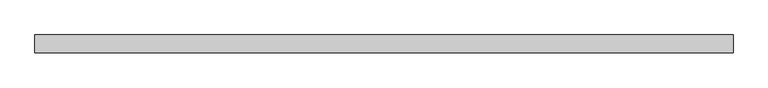
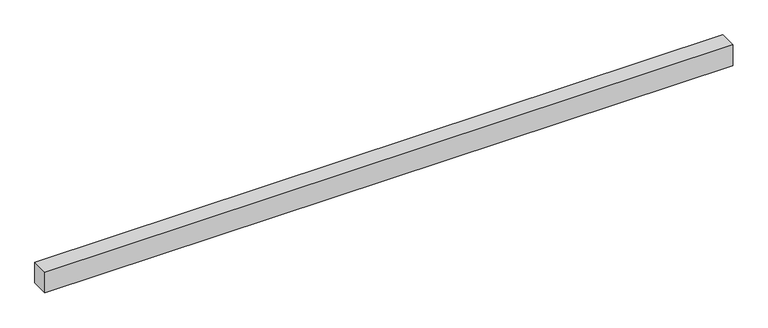
"""IFC4 building model written with IfcOpenShell, lengths in millimetres: proxy geometry."""

from ifc_helpers import new_model, si_unit, origin, origin_with_axes, place, context, project, spatial, polyline, outline, extrude, source, transform, mapped, element, save


def generic_models_49c6455d(model_context):
    return source(origin(), model_context, "Body", "SweptSolid", [
        extrude(outline(polyline([(3154.8927154, -40.0), (0.0, -40.0), (0.0, 40.0), (3154.8927154, 40.0), (3154.8927154, -40.0)])), origin_with_axes(), (0.0, 0.0, 1.0), 100.0),
    ])


if __name__ == "__main__":
    model = new_model("IFC4")
    model_context = context("Model", 3, world=origin())
    ifc_project = project(units=[si_unit("LENGTHUNIT", "METRE", prefix="MILLI")], contexts=[model_context])
    site = spatial("IfcSite", under=ifc_project)
    building = spatial("IfcBuilding", under=site)
    placement = place(None, origin())
    generic_models_shape = generic_models_49c6455d(model_context)
    element("IfcBuildingElementProxy", 1, Name="Generic Models", at=placement, inside=building, context=model_context, shape_type="MappedRepresentation", body=[
        mapped(generic_models_shape, transform((0.0, 0.0, 0.0), x_axis=(1.0, 0.0, 0.0), y_axis=(0.0, 1.0, 0.0), z_axis=(0.0, 0.0, 1.0))),
    ])
    save(model, "model.ifc")
